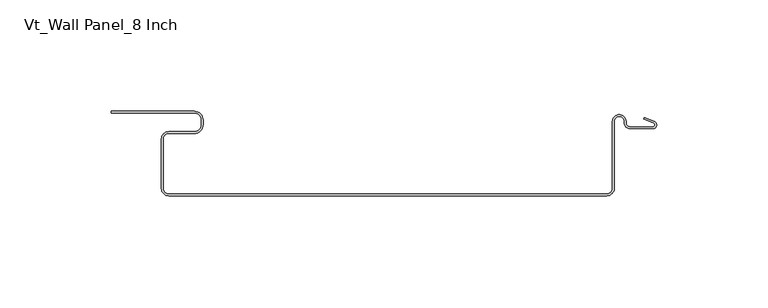
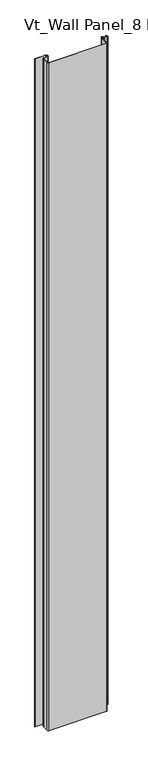
"""IFC4 building model written with IfcOpenShell, lengths in millimetres: plate geometry, Vt_Wall Panel_8 Inch."""

from ifc_helpers import new_model, si_unit, point, frame_2d, origin, origin_with_axes, place, context, project, spatial, polyline, circle_curve, trimmed, segment, composite_curve, outline, extrude, source, transform, mapped, element, save


def vt_wall_panel_8_inch_8a645ccd(model_context):
    return source(origin(), model_context, "Body", "SweptSolid", [
        extrude(outline(composite_curve([segment(polyline([(-102.3000002, -34.70689), (-102.3000002, -12.38547)]), True, "CONTINUOUS"), segment(trimmed(circle_curve(frame_2d((-99.1250002, -12.38547)), 3.175), [point((-102.3000002, -12.38547))], [point((-99.1250002, -9.21047))], False, "CARTESIAN"), True, "CONTINUOUS"), segment(polyline([(-99.1250002, -9.21047), (-87.5927652, -9.21047)]), True, "CONTINUOUS"), segment(trimmed(circle_curve(frame_2d((-87.5927652, -6.03547)), 3.175), [point((-87.5927652, -9.21047))], [point((-84.4177652, -6.03547))], True, "CARTESIAN"), True, "CONTINUOUS"), segment(polyline([(-84.4177652, -6.03547), (-84.4177652, -3.975)]), True, "CONTINUOUS"), segment(trimmed(circle_curve(frame_2d((-87.5927652, -3.975)), 3.175), [point((-84.4177652, -3.975))], [point((-87.5927652, -0.8))], True, "CARTESIAN"), True, "CONTINUOUS"), segment(polyline([(-87.5927652, -0.8), (-124.7567444, -0.8), (-124.7567444, 0.0), (-87.5927652, 0.0)]), True, "CONTINUOUS"), segment(trimmed(circle_curve(frame_2d((-87.5927652, -3.975)), 3.975), [point((-87.5927652, 0.0))], [point((-83.6177652, -3.975))], False, "CARTESIAN"), True, "CONTINUOUS"), segment(polyline([(-83.6177652, -3.975), (-83.6177652, -6.03547)]), True, "CONTINUOUS"), segment(trimmed(circle_curve(frame_2d((-87.5927652, -6.03547)), 3.975), [point((-83.6177652, -6.03547))], [point((-87.5927652, -10.01047))], False, "CARTESIAN"), True, "CONTINUOUS"), segment(polyline([(-87.5927652, -10.01047), (-99.1250002, -10.01047)]), True, "CONTINUOUS"), segment(trimmed(circle_curve(frame_2d((-99.1250002, -12.38547)), 2.375), [point((-99.1250002, -10.01047))], [point((-101.5000002, -12.38547))], True, "CARTESIAN"), True, "CONTINUOUS"), segment(polyline([(-101.5000002, -12.38547), (-101.5000002, -34.70689)]), True, "CONTINUOUS"), segment(trimmed(circle_curve(frame_2d((-99.0068902, -34.70689)), 2.49311), [point((-101.5000002, -34.70689))], [point((-99.0068902, -37.2))], True, "CARTESIAN"), True, "CONTINUOUS"), segment(polyline([(-99.0068902, -37.2), (97.6068898, -37.2)]), True, "CONTINUOUS"), segment(trimmed(circle_curve(frame_2d((97.6068898, -34.70689)), 2.49311), [point((97.6068898, -37.2))], [point((100.0999998, -34.70689))], True, "CARTESIAN"), True, "CONTINUOUS"), segment(polyline([(100.0999998, -34.70689), (100.0999998, -4.680093)]), True, "CONTINUOUS"), segment(trimmed(circle_curve(frame_2d((103.165121, -4.660825)), 3.0651817), [point((100.0999998, -4.680093))], [point((106.2301208, -4.6274294))], False, "CARTESIAN"), True, "CONTINUOUS"), segment(polyline([(106.2301208, -4.6274294), (106.2649, -5.686073)]), True, "CONTINUOUS"), segment(trimmed(circle_curve(frame_2d((107.9256962, -5.3261005)), 1.69936), [point((106.2649, -5.686073))], [point((107.9256962, -7.0254605))], True, "CARTESIAN"), True, "CONTINUOUS"), segment(polyline([(107.9256962, -7.0254605), (118.2643748, -7.0254605)]), True, "CONTINUOUS"), segment(trimmed(circle_curve(frame_2d((118.261022, -6.1368956)), 0.8885712), [point((118.2643748, -7.0254605))], [point((118.6757413, -5.3510415))], True, "CARTESIAN"), True, "CONTINUOUS"), segment(polyline([(118.6757413, -5.3510415), (114.2071143, -3.5847375), (114.5011892, -2.8407483), (119.0039825, -4.6205571)]), True, "CONTINUOUS"), segment(trimmed(circle_curve(frame_2d((118.261022, -6.1368956)), 1.6885712), [point((119.0039825, -4.6205571))], [point((118.2656438, -7.8254605))], False, "CARTESIAN"), True, "CONTINUOUS"), segment(polyline([(118.2656438, -7.8254605), (107.9256962, -7.8254605)]), True, "CONTINUOUS"), segment(trimmed(circle_curve(frame_2d((107.9256962, -5.3261005)), 2.49936), [point((107.9256962, -7.8254605))], [point((105.4674796, -5.7777325))], False, "CARTESIAN"), True, "CONTINUOUS"), segment(polyline([(105.4674796, -5.7777325), (105.4302422, -4.6442612)]), True, "CONTINUOUS"), segment(trimmed(circle_curve(frame_2d((103.165121, -4.660825)), 2.2651817), [point((105.4302422, -4.6442612))], [point((100.8999998, -4.6773887))], True, "CARTESIAN"), True, "CONTINUOUS"), segment(polyline([(100.8999998, -4.6773887), (100.8999998, -34.70689)]), True, "CONTINUOUS"), segment(trimmed(circle_curve(frame_2d((97.6068898, -34.70689)), 3.29311), [point((100.8999998, -34.70689))], [point((97.6068898, -38.0))], False, "CARTESIAN"), True, "CONTINUOUS"), segment(polyline([(97.6068898, -38.0), (-99.0068902, -38.0)]), True, "CONTINUOUS"), segment(trimmed(circle_curve(frame_2d((-99.0068902, -34.70689)), 3.29311), [point((-99.0068902, -38.0))], [point((-102.3000002, -34.70689))], False, "CARTESIAN"), True, "CONTINUOUS")], self_intersect=False)), origin_with_axes(), (0.0, 0.0, 1.0), 2400.0),
    ])


if __name__ == "__main__":
    model = new_model("IFC4")
    model_context = context("Model", 3, world=origin())
    ifc_project = project(units=[si_unit("LENGTHUNIT", "METRE", prefix="MILLI")], contexts=[model_context])
    site = spatial("IfcSite", under=ifc_project)
    building = spatial("IfcBuilding", under=site)
    placement = place(None, origin())
    vt_wall_panel_8_inch_shape = vt_wall_panel_8_inch_8a645ccd(model_context)
    element("IfcPlate", 1, ObjectType="Vt_Wall Panel_8 Inch", at=placement, inside=building, context=model_context, shape_type="MappedRepresentation", body=[
        mapped(vt_wall_panel_8_inch_shape, transform((0.0, 0.0, 0.0), x_axis=(1.0, 0.0, 0.0), y_axis=(0.0, 1.0, 0.0), z_axis=(0.0, 0.0, 1.0))),
    ])
    save(model, "model.ifc")
